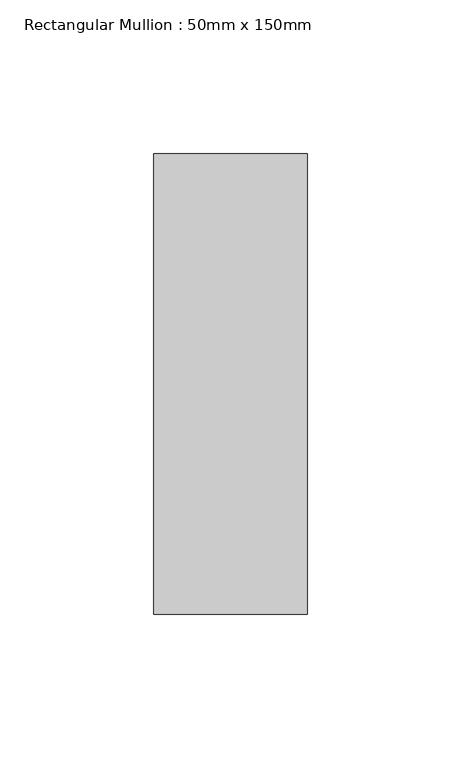
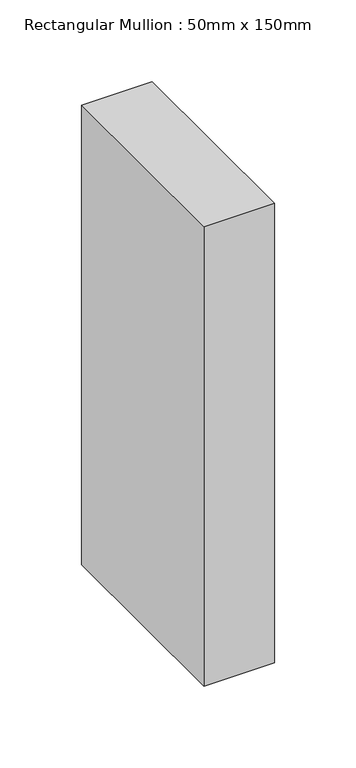
"""IFC4 building model written with IfcOpenShell, lengths in millimetres: member geometry, Rectangular Mullion : 50mm x 150mm."""

from ifc_helpers import new_model, si_unit, frame, origin, place, context, project, spatial, polyline, outline, extrude, source, transform, mapped, element, save


def rectangular_mullion_50mm_x_150mm_c9ce716f(model_context):
    return source(origin(), model_context, "Body", "SweptSolid", [
        extrude(outline(polyline([(25.0, 75.0), (25.0, -75.0), (-25.0, -75.0), (-25.0, 75.0), (25.0, 75.0)])), frame((0.0, 0.0, -343.7735115), z_axis=(0.0, 0.0, 1.0), x_axis=(1.0, 0.0, 0.0)), (0.0, 0.0, 1.0), 343.7735115),
    ])


if __name__ == "__main__":
    model = new_model("IFC4")
    model_context = context("Model", 3, world=origin())
    ifc_project = project(units=[si_unit("LENGTHUNIT", "METRE", prefix="MILLI")], contexts=[model_context])
    site = spatial("IfcSite", under=ifc_project)
    building = spatial("IfcBuilding", under=site)
    placement = place(None, origin())
    rectangular_mullion_50mm_x_150mm_shape = rectangular_mullion_50mm_x_150mm_c9ce716f(model_context)
    element("IfcMember", 1, ObjectType="Rectangular Mullion : 50mm x 150mm", at=placement, inside=building, context=model_context, shape_type="MappedRepresentation", body=[
        mapped(rectangular_mullion_50mm_x_150mm_shape, transform((0.0, 0.0, 0.0), x_axis=(1.0, 0.0, 0.0), y_axis=(0.0, 1.0, 0.0), z_axis=(0.0, 0.0, 1.0))),
    ])
    save(model, "model.ifc")
